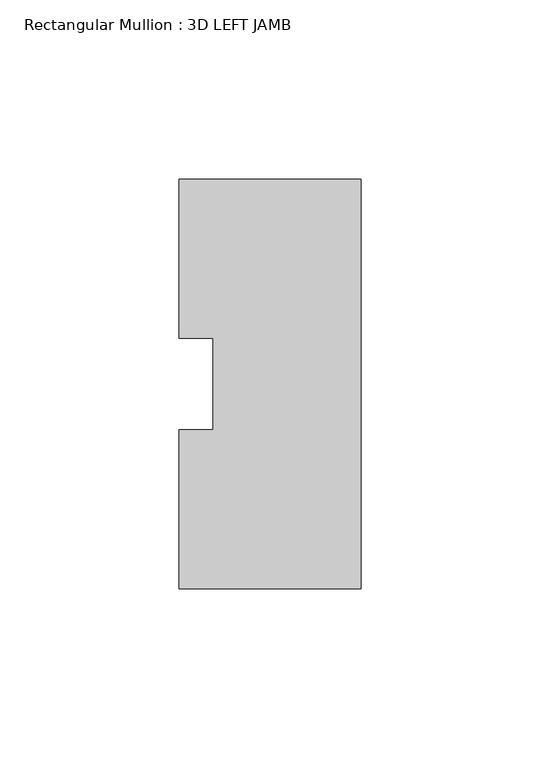
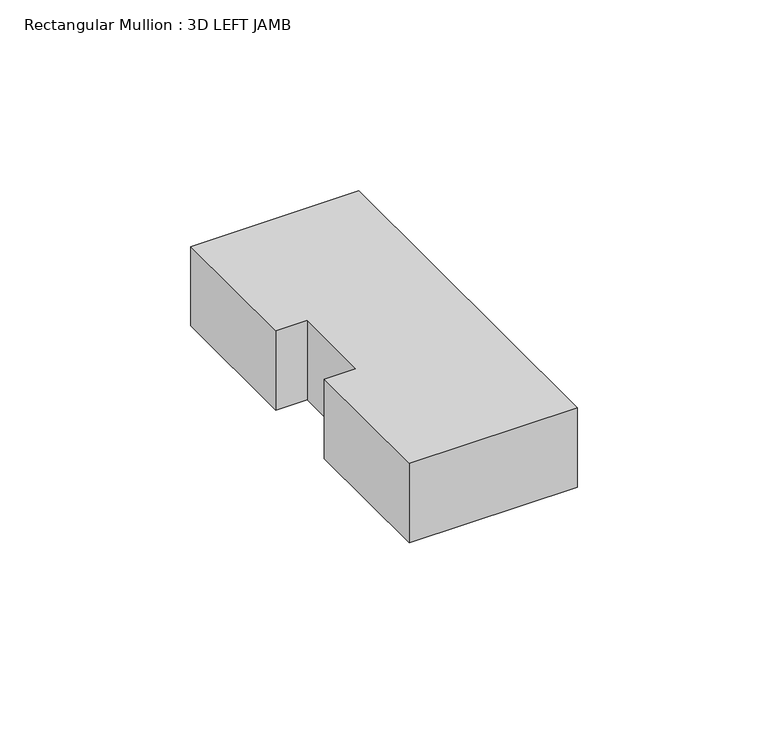
"""IFC4 building model written with IfcOpenShell, lengths in millimetres: member geometry, Rectangular Mullion : 3D LEFT JAMB."""

from ifc_helpers import new_model, si_unit, frame, origin, place, context, project, spatial, polyline, outline, extrude, source, transform, mapped, element, save


def rectangular_mullion_3d_left_jamb_5862a376(model_context):
    return source(origin(), model_context, "Body", "SweptSolid", [
        extrude(outline(polyline([(0.0, -57.1484125), (-50.8, -57.1484125), (-50.8, -12.7311082), (-41.275, -12.7311082), (-41.275, 12.7565901), (-50.8, 12.7565901), (-50.8, 57.1515875), (0.0, 57.1646685), (0.0, -57.1484125)])), frame((0.0, 0.0, -25.4), z_axis=(0.0, 0.0, 1.0), x_axis=(1.0, 0.0, 0.0)), (0.0, 0.0, 1.0), 25.4),
    ])


if __name__ == "__main__":
    model = new_model("IFC4")
    model_context = context("Model", 3, world=origin())
    ifc_project = project(units=[si_unit("LENGTHUNIT", "METRE", prefix="MILLI")], contexts=[model_context])
    site = spatial("IfcSite", under=ifc_project)
    building = spatial("IfcBuilding", under=site)
    placement = place(None, origin())
    rectangular_mullion_3d_left_jamb_shape = rectangular_mullion_3d_left_jamb_5862a376(model_context)
    element("IfcMember", 1, ObjectType="Rectangular Mullion : 3D LEFT JAMB", at=placement, inside=building, context=model_context, shape_type="MappedRepresentation", body=[
        mapped(rectangular_mullion_3d_left_jamb_shape, transform((0.0, 0.0, 0.0), x_axis=(1.0, 0.0, 0.0), y_axis=(0.0, 1.0, 0.0), z_axis=(0.0, 0.0, 1.0))),
    ])
    save(model, "model.ifc")
